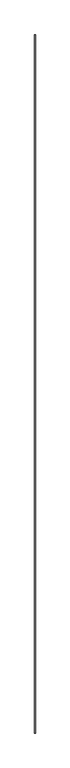
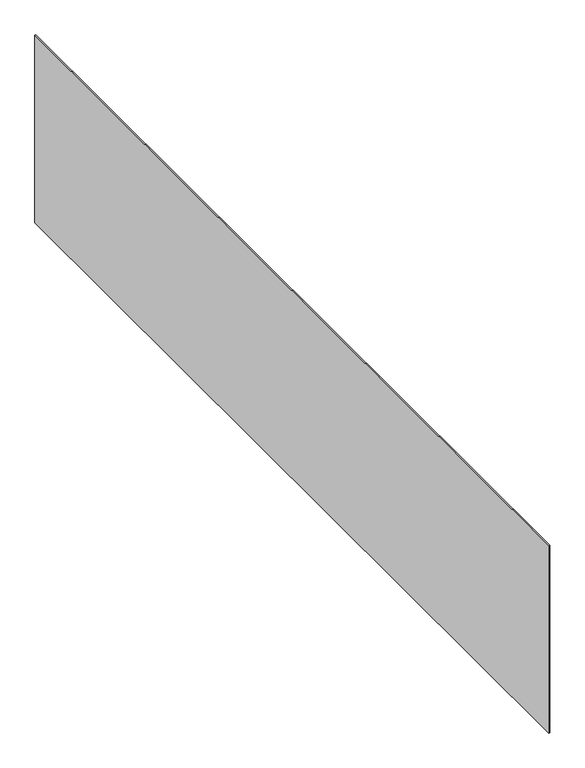
"""IFC4 building model written with IfcOpenShell, lengths in millimetres: proxy geometry."""

from ifc_helpers import new_model, si_unit, frame, origin, place, context, project, spatial, polyline, outline, extrude, source, transform, mapped, element, save


def generic_models_e026f358(model_context):
    return source(origin(), model_context, "Body", "SweptSolid", [
        extrude(outline(polyline([(37924.3585168, -18662.4264268), (37924.3585168, -25196.3529893), (37918.0085168, -25196.3529893), (37918.0085168, -18662.4264268), (37924.3585168, -18662.4264268)])), frame((0.0, 0.0, 4189.2214506), z_axis=(0.0, 0.0, 1.0), x_axis=(1.0, 0.0, 0.0)), (0.0, 0.0, 1.0), 1454.3410494),
    ])


if __name__ == "__main__":
    model = new_model("IFC4")
    model_context = context("Model", 3, world=origin())
    ifc_project = project(units=[si_unit("LENGTHUNIT", "METRE", prefix="MILLI")], contexts=[model_context])
    site = spatial("IfcSite", under=ifc_project)
    building = spatial("IfcBuilding", under=site)
    placement = place(None, origin())
    generic_models_shape = generic_models_e026f358(model_context)
    element("IfcBuildingElementProxy", 1, Name="Generic Models", at=placement, inside=building, context=model_context, shape_type="MappedRepresentation", body=[
        mapped(generic_models_shape, transform((0.0, 0.0, 0.0), x_axis=(1.0, 0.0, 0.0), y_axis=(0.0, 1.0, 0.0), z_axis=(0.0, 0.0, 1.0))),
    ])
    save(model, "model.ifc")
